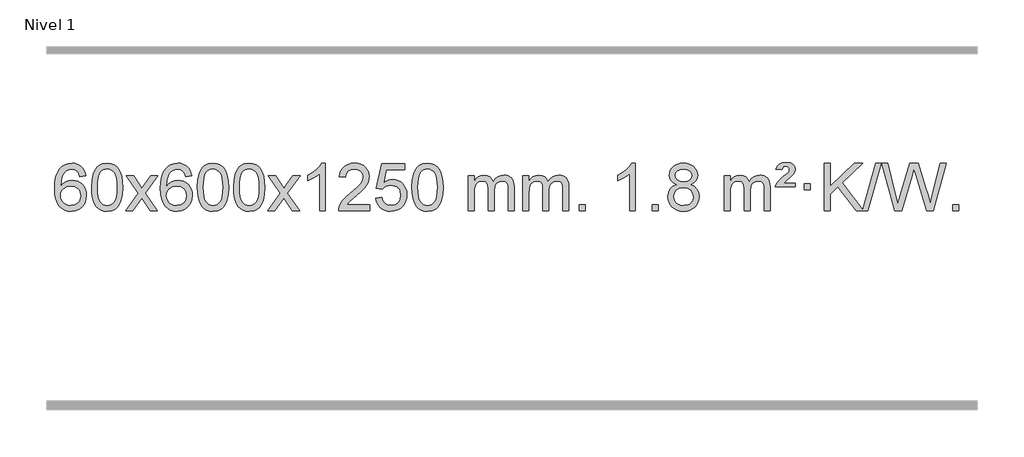
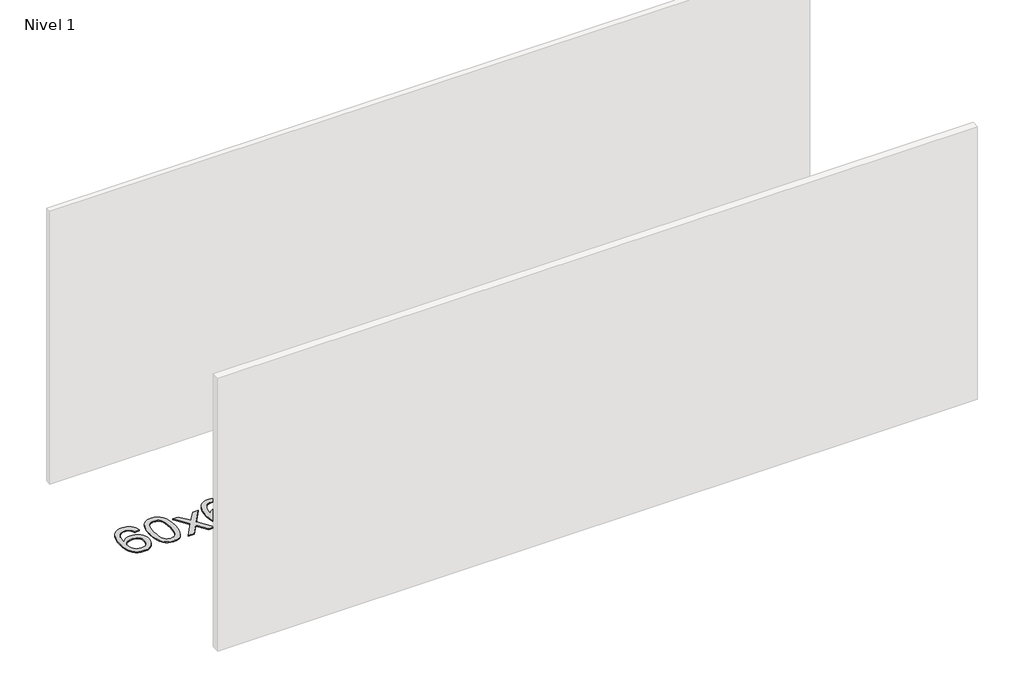
# One storey, part 7 of 9: 1 proxy.
"""IFC4 building model written with IfcOpenShell, lengths in millimetres."""

import ifcopenshell
import ifcopenshell.guid

model = None  # the IFC model being written
_history = None  # IfcOwnerHistory: only IFC2X3 demands one
_inside = {}  # id of a spatial element -> (the spatial element, [elements in it])
_under = {}  # id of a project, library or spatial element -> (it, [spatial elements below it])
_declared = {}  # id of a project -> (the project, [libraries it declares])
_typed = {}  # id of a type object -> (the type object, [elements of that type])
_made_of = {}  # id of a material, layer set ... -> (it, [elements and type objects made of it])


def new_model(schema):
    """Start an empty IFC model of exactly this schema.

    Asked for "IFC4X3", IfcOpenShell would pick the latest addendum, in which some entities
    have other attributes; the version numbers below select the first issue.
    IFC2X3 requires an IfcOwnerHistory on every rooted entity: one is made here for all.
    """
    global model, _history
    if schema == "IFC4X3":
        model = ifcopenshell.file(schema_version=(4, 3, 0, 0))
    else:
        model = ifcopenshell.file(schema=schema)
    _inside.clear()
    _under.clear()
    _declared.clear()
    _typed.clear()
    _made_of.clear()
    _history = None
    if model.schema == "IFC2X3":
        org = make("IfcOrganization", Name="unknown")
        user = make(
            "IfcPersonAndOrganization",
            ThePerson=make("IfcPerson", FamilyName="unknown"),
            TheOrganization=org,
        )
        app = make(
            "IfcApplication",
            ApplicationDeveloper=org,
            Version="unknown",
            ApplicationFullName="unknown",
            ApplicationIdentifier="unknown",
        )
        _history = make(
            "IfcOwnerHistory",
            OwningUser=user,
            OwningApplication=app,
            ChangeAction="ADDED",
            CreationDate=0,
        )
    return model


def make(cls, **values):
    """One entity of the class cls with the attributes given. An attribute that is None is left unset."""
    return model.create_entity(
        cls, **{name: value for name, value in values.items() if value is not None}
    )


def rooted(cls, **values):
    """An entity with a GlobalId (a new one), such as an element, a storey or a relation."""
    return make(cls, GlobalId=ifcopenshell.guid.new(), OwnerHistory=_history, **values)


def si_unit(unit_type, name, prefix=None):
    """IfcSIUnit, for example si_unit("LENGTHUNIT", "METRE", prefix="MILLI")."""
    return make("IfcSIUnit", UnitType=unit_type, Prefix=prefix, Name=name)


def assignment(units):
    """IfcUnitAssignment: the units of a project."""
    return None if units is None else make("IfcUnitAssignment", Units=units)


def point(xyz):
    """IfcCartesianPoint."""
    return None if xyz is None else make("IfcCartesianPoint", Coordinates=xyz)


def direction(xyz):
    """IfcDirection."""
    return None if xyz is None else make("IfcDirection", DirectionRatios=xyz)


def frame(location, z_axis=None, x_axis=None):
    """IfcAxis2Placement3D, a coordinate frame: its origin and axes. An axis left out is left unset."""
    return make(
        "IfcAxis2Placement3D",
        Location=point(location),
        Axis=direction(z_axis),
        RefDirection=direction(x_axis),
    )


def origin():
    """The frame at (0, 0, 0) with its axes left unset."""
    return frame((0.0, 0.0, 0.0))


def origin_with_axes():
    """The frame at (0, 0, 0) with the z axis (0, 0, 1) and the x axis (1, 0, 0) written out."""
    return frame((0.0, 0.0, 0.0), z_axis=(0.0, 0.0, 1.0), x_axis=(1.0, 0.0, 0.0))


def place(relative_to, where):
    """IfcLocalPlacement: puts the frame where relative to a parent placement (None: the world)."""
    return make(
        "IfcLocalPlacement", PlacementRelTo=relative_to, RelativePlacement=where
    )


def context(
    kind, dimensions, precision=None, world=None, true_north=None, identifier=None
):
    """IfcGeometricRepresentationContext, for example the 3D "Model" context."""
    return make(
        "IfcGeometricRepresentationContext",
        ContextIdentifier=identifier,
        ContextType=kind,
        CoordinateSpaceDimension=dimensions,
        Precision=precision,
        WorldCoordinateSystem=world,
        TrueNorth=true_north,
    )


def project(units=None, contexts=None):
    """IfcProject with its units and contexts."""
    return rooted(
        "IfcProject",
        Name="project",
        RepresentationContexts=contexts,
        UnitsInContext=assignment(units),
    )


def spatial(cls, under=None, at=None, **own):
    """A site, building, storey or space (cls), placed at a placement, below another one or the project."""
    s = rooted(cls, ObjectPlacement=at, **own)
    if under is not None:
        _under.setdefault(under.id(), (under, []))[1].append(s)
    return s


def polyline(points):
    """IfcPolyline through the points."""
    return make("IfcPolyline", Points=[point(p) for p in points])


def outline(outer, holes=None, kind="AREA"):
    """IfcArbitraryClosedProfileDef: a profile drawn as a closed curve; with holes, ...WithVoids."""
    if holes is None:
        return make("IfcArbitraryClosedProfileDef", ProfileType=kind, OuterCurve=outer)
    return make(
        "IfcArbitraryProfileDefWithVoids",
        ProfileType=kind,
        OuterCurve=outer,
        InnerCurves=holes,
    )


def extrude(swept, where, along, depth):
    """IfcExtrudedAreaSolid: the profile swept, set in the frame where, extruded along a direction by depth."""
    return make(
        "IfcExtrudedAreaSolid",
        SweptArea=swept,
        Position=where,
        ExtrudedDirection=direction(along),
        Depth=depth,
    )


def shape(context_of_items, identifier, shape_type, items):
    """IfcShapeRepresentation: the items that make up one representation, for example the "Body"."""
    return make(
        "IfcShapeRepresentation",
        ContextOfItems=context_of_items,
        RepresentationIdentifier=identifier,
        RepresentationType=shape_type,
        Items=items,
    )


def made_of(thing, what):
    """Note that an element or type object is made of a material, layer set ...; save() writes the relation."""
    if what is not None:
        _made_of.setdefault(what.id(), (what, []))[1].append(thing)
    return thing


def element(
    cls,
    number,
    at=None,
    inside=None,
    cuts=None,
    type_object=None,
    material=None,
    context=None,
    identifier="Body",
    shape_type=None,
    held_by="IfcProductDefinitionShape",
    body=None,
    shapes=None,
    **own,
):
    """One element of the class cls, such as IfcWall. Its Tag is "e" and its number.

    at: its placement. inside: the storey or other place that contains it. cuts: it is an
    opening in that element (IfcRelVoidsElement). A single representation is given by context,
    identifier, shape_type and body (its items); several are given by shapes. held_by: the class
    of the entity that holds the representations. save() writes the other relations.
    """
    e = rooted(cls, Tag="e%d" % number, ObjectPlacement=at, **own)
    if body is not None:
        shapes = [shape(context, identifier, shape_type, body)]
    if shapes is not None:
        e.Representation = make(held_by, Representations=shapes)
    if inside is not None:
        _inside.setdefault(inside.id(), (inside, []))[1].append(e)
    if cuts is not None:
        rooted(
            "IfcRelVoidsElement", RelatingBuildingElement=cuts, RelatedOpeningElement=e
        )
    if type_object is not None:
        _typed.setdefault(type_object.id(), (type_object, []))[1].append(e)
    return made_of(e, material)


def aggregate(whole, parts):
    """IfcRelAggregates: a whole, such as a stair, and the parts it consists of."""
    return rooted("IfcRelAggregates", RelatingObject=whole, RelatedObjects=parts)


def save(model, path):
    """Write the relations noted so far, then the file.

    IfcRelAggregates (storeys below a building ...), IfcRelContainedInSpatialStructure (elements
    in a storey), IfcRelDefinesByType, IfcRelAssociatesMaterial and IfcRelDeclares: one each for
    every whole, place, type object, material and project.
    """
    for whole, parts in _under.values():
        aggregate(whole, parts)
    for where, things in _inside.values():
        rooted(
            "IfcRelContainedInSpatialStructure",
            RelatedElements=things,
            RelatingStructure=where,
        )
    for kind, things in _typed.values():
        rooted("IfcRelDefinesByType", RelatedObjects=things, RelatingType=kind)
    for what, things in _made_of.values():
        rooted("IfcRelAssociatesMaterial", RelatedObjects=things, RelatingMaterial=what)
    for by, libraries in _declared.values():
        rooted("IfcRelDeclares", RelatingContext=by, RelatedDefinitions=libraries)
    model.write(path)


model = new_model("IFC4")

# Units and contexts
model_context = context("Model", 3, world=origin())
ifc_project = project(units=[si_unit("LENGTHUNIT", "METRE", prefix="MILLI")], contexts=[model_context])

# Site, building, storey
site = spatial("IfcSite", under=ifc_project)
building = spatial("IfcBuilding", under=site)
storey = spatial("IfcBuildingStorey", under=building, Name="Nivel 1", Elevation=0.0)

# Proxy
placement = place(None, origin())
element("IfcBuildingElementProxy", 1, Name="Texto de modelo 1", ObjectType="Texto de modelo 1", at=placement, inside=storey, context=model_context, shape_type="SweptSolid", body=[
    extrude(outline(polyline([(-6198.7504157, -3100.4890419), (-6248.9785708, -3106.7675613), (-6257.0719747, -3081.874213), (-6268.0103327, -3064.8780648), (-6290.7944909, -3049.2062918), (-6318.3365896, -3043.9823675), (-6341.6848336, -3047.0235253), (-6363.6596514, -3056.1469988), (-6382.5319978, -3075.3627017), (-6397.9462534, -3101.8134171), (-6408.3573138, -3139.227016), (-6412.2200748, -3191.3313693), (-6392.0724042, -3167.8237098), (-6367.9270826, -3151.2567573), (-6341.1330106, -3141.434308), (-6313.0390889, -3138.1601582), (-6288.90603, -3140.398107), (-6266.6369065, -3147.1119534), (-6246.2317185, -3158.3016975), (-6227.690466, -3173.9673391), (-6212.2823418, -3193.1769106), (-6201.2765387, -3214.9984443), (-6194.6730569, -3239.4319401), (-6192.4718963, -3266.4773982), (-6196.6167001, -3302.4439945), (-6209.0511116, -3335.786366), (-6228.745061, -3364.0642287), (-6254.668479, -3384.8372987), (-6285.644143, -3397.602804), (-6320.4948306, -3401.8579724), (-6350.4373594, -3399.0375437), (-6377.4797517, -3390.5762579), (-6401.6220076, -3376.4741147), (-6422.8641272, -3356.7311143), (-6440.1821721, -3330.5133908), (-6452.5522042, -3296.9870783), (-6459.9742234, -3256.1521768), (-6462.4482298, -3208.0086864), (-6459.7013776, -3154.0342663), (-6451.4608209, -3107.9693092), (-6437.7265598, -3069.8138149), (-6418.4985942, -3039.5677835), (-6397.6580791, -3019.5243462), (-6373.4943634, -3005.2076052), (-6346.007447, -2996.6175606), (-6315.1973299, -2993.7542124), (-6292.0636838, -2995.5261773), (-6271.1250669, -3000.8420722), (-6252.3814792, -3009.7018969), (-6235.8329208, -3022.1056515), (-6221.9269814, -3037.6364031), (-6211.1112507, -3055.8772186), (-6203.3857288, -3076.8280983), (-6198.7504157, -3100.4890419)]), holes=[polyline([(-6412.2200748, -3265.6925832), (-6409.313807, -3287.9494439), (-6400.5950037, -3309.2007605), (-6387.0569463, -3327.472233), (-6369.6929161, -3340.7895612), (-6348.7359051, -3348.9197533), (-6324.4189053, -3351.6298173), (-6291.2727375, -3346.0134855), (-6277.357601, -3338.9930708), (-6265.2144295, -3329.1644901), (-6255.3643891, -3316.9262824), (-6248.3286459, -3302.6769865), (-6242.7000514, -3268.1451299), (-6248.2550695, -3234.9989621), (-6255.1988422, -3221.3781312), (-6264.9201239, -3209.725469), (-6277.1000836, -3200.3904634), (-6291.4198903, -3193.7226022), (-6326.4790444, -3188.3883133), (-6359.5761613, -3193.7226022), (-6387.25315, -3209.725469), (-6398.1761796, -3221.2248471), (-6405.9783436, -3234.3858254), (-6410.659642, -3249.2084042), (-6412.2200748, -3265.6925832)])]), origin_with_axes(), (0.0, 0.0, 1.0), 10.0),
    extrude(outline(polyline([(-6148.5222606, -3197.9041943), (-6144.8311779, -3133.5861588), (-6133.7579299, -3082.2911459), (-6115.4128811, -3043.2343407), (-6103.5548181, -3028.0009605), (-6089.9063961, -3015.6309284), (-6074.4216298, -3006.0598651), (-6057.0545339, -2999.2233914), (-6016.6733536, -2993.7542124), (-5985.722215, -2996.991574), (-5958.0084381, -3006.7036586), (-5934.8318724, -3022.5103217), (-5917.4923677, -3044.0314184), (-5904.3957686, -3071.0830078), (-5893.94792, -3103.4811488), (-5887.1053149, -3144.6226186), (-5884.8244465, -3197.9041943), (-5888.478741, -3261.8543477), (-5899.4416244, -3313.0267333), (-5917.6763087, -3352.1203266), (-5929.5067805, -3367.3996922), (-5943.1460055, -3379.8341036), (-5958.6491659, -3389.4695462), (-5976.071444, -3396.3520052), (-6016.6733536, -3401.8579724), (-6044.3380796, -3399.4667394), (-6068.8635459, -3392.2930405), (-6090.2497526, -3380.3368757), (-6108.4966996, -3363.5982449), (-6126.0078825, -3333.3399508), (-6138.5158704, -3295.6381776), (-6146.0206631, -3250.4929255), (-6148.5222606, -3197.9041943)]), holes=[polyline([(-6098.2941056, -3197.8060924), (-6096.8225776, -3241.4706195), (-6092.4079936, -3276.8148822), (-6085.0503537, -3303.8388804), (-6074.7496579, -3322.5426142), (-6062.290721, -3335.2682656), (-6048.4583579, -3344.3580165), (-6033.2525688, -3349.8118671), (-6016.6733536, -3351.6298173), (-6000.0941383, -3349.8057357), (-5984.8883492, -3344.3334911), (-5971.0559862, -3335.2130833), (-5958.5970493, -3322.4445124), (-5948.2963534, -3303.7101217), (-5940.9387135, -3276.6922549), (-5936.5241295, -3241.3909118), (-5935.0526016, -3197.8060924), (-5936.4750786, -3155.2973278), (-5940.7425098, -3120.5753989), (-5947.854895, -3093.6403055), (-5957.8122343, -3074.4920476), (-5970.0627048, -3061.1440625), (-5984.0544833, -3051.6097875), (-5999.78757, -3045.8892225), (-6017.2619648, -3043.9823675), (-6033.7553409, -3045.6623619), (-6048.7036126, -3050.7023452), (-6062.10678, -3059.1023175), (-6073.9648429, -3070.8622786), (-6084.6088953, -3091.708925), (-6092.2117899, -3119.8151094), (-6096.7735266, -3155.1808319), (-6098.2941056, -3197.8060924)])]), origin_with_axes(), (0.0, 0.0, 1.0), 10.0),
    extrude(outline(polyline([(-5859.7103689, -3395.579453), (-5752.3869282, -3247.2494325), (-5853.4318496, -3100.4890419), (-5793.0011005, -3100.4890419), (-5744.2444734, -3171.122385), (-5721.4848406, -3204.4770192), (-5701.7663657, -3177.2047007), (-5646.2407099, -3100.4890419), (-5585.8099608, -3100.4890419), (-5691.9561791, -3247.2494325), (-5589.7340354, -3395.579453), (-5650.1647845, -3395.579453), (-5711.6746541, -3306.4048574), (-5722.9563686, -3290.1199477), (-5799.2796199, -3395.579453), (-5859.7103689, -3395.579453)])), origin_with_axes(), (0.0, 0.0, 1.0), 10.0),
    extrude(outline(polyline([(-5300.9221437, -3100.4890419), (-5351.1502988, -3106.7675613), (-5359.2437027, -3081.874213), (-5370.1820607, -3064.8780648), (-5392.9662189, -3049.2062918), (-5420.5083176, -3043.9823675), (-5443.8565616, -3047.0235253), (-5465.8313794, -3056.1469988), (-5484.7037258, -3075.3627017), (-5500.1179814, -3101.8134171), (-5510.5290419, -3139.227016), (-5514.3918028, -3191.3313693), (-5494.2441322, -3167.8237098), (-5470.0988106, -3151.2567573), (-5443.3047386, -3141.434308), (-5415.2108169, -3138.1601582), (-5391.077758, -3140.398107), (-5368.8086346, -3147.1119534), (-5348.4034466, -3158.3016975), (-5329.862194, -3173.9673391), (-5314.4540698, -3193.1769106), (-5303.4482668, -3214.9984443), (-5296.844785, -3239.4319401), (-5294.6436244, -3266.4773982), (-5298.7884282, -3302.4439945), (-5311.2228396, -3335.786366), (-5330.9167891, -3364.0642287), (-5356.840207, -3384.8372987), (-5387.815871, -3397.602804), (-5422.6665587, -3401.8579724), (-5452.6090874, -3399.0375437), (-5479.6514797, -3390.5762579), (-5503.7937357, -3376.4741147), (-5525.0358552, -3356.7311143), (-5542.3539001, -3330.5133908), (-5554.7239322, -3296.9870783), (-5562.1459515, -3256.1521768), (-5564.6199579, -3208.0086864), (-5561.8731057, -3154.0342663), (-5553.632549, -3107.9693092), (-5539.8982878, -3069.8138149), (-5520.6703222, -3039.5677835), (-5499.8298072, -3019.5243462), (-5475.6660915, -3005.2076052), (-5448.179175, -2996.6175606), (-5417.3690579, -2993.7542124), (-5394.2354118, -2995.5261773), (-5373.2967949, -3000.8420722), (-5354.5532073, -3009.7018969), (-5338.0046489, -3022.1056515), (-5324.0987094, -3037.6364031), (-5313.2829788, -3055.8772186), (-5305.5574569, -3076.8280983), (-5300.9221437, -3100.4890419)]), holes=[polyline([(-5514.3918028, -3265.6925832), (-5511.485535, -3287.9494439), (-5502.7667318, -3309.2007605), (-5489.2286743, -3327.472233), (-5471.8646442, -3340.7895612), (-5450.9076332, -3348.9197533), (-5426.5906333, -3351.6298173), (-5393.4444655, -3346.0134855), (-5379.5293291, -3338.9930708), (-5367.3861575, -3329.1644901), (-5357.5361171, -3316.9262824), (-5350.500374, -3302.6769865), (-5344.8717794, -3268.1451299), (-5350.4267976, -3234.9989621), (-5357.3705702, -3221.3781312), (-5367.0918519, -3209.725469), (-5379.2718117, -3200.3904634), (-5393.5916183, -3193.7226022), (-5428.6507725, -3188.3883133), (-5461.7478893, -3193.7226022), (-5489.4248781, -3209.725469), (-5500.3479076, -3221.2248471), (-5508.1500716, -3234.3858254), (-5512.83137, -3249.2084042), (-5514.3918028, -3265.6925832)])]), origin_with_axes(), (0.0, 0.0, 1.0), 10.0),
    extrude(outline(polyline([(-5250.6939887, -3197.9041943), (-5247.002906, -3133.5861588), (-5235.9296579, -3082.2911459), (-5217.5846091, -3043.2343407), (-5205.7265461, -3028.0009605), (-5192.0781241, -3015.6309284), (-5176.5933578, -3006.0598651), (-5159.2262619, -2999.2233914), (-5118.8450816, -2993.7542124), (-5087.8939431, -2996.991574), (-5060.1801661, -3006.7036586), (-5037.0036004, -3022.5103217), (-5019.6640957, -3044.0314184), (-5006.5674967, -3071.0830078), (-4996.119648, -3103.4811488), (-4989.2770429, -3144.6226186), (-4986.9961745, -3197.9041943), (-4990.650469, -3261.8543477), (-5001.6133525, -3313.0267333), (-5019.8480367, -3352.1203266), (-5031.6785085, -3367.3996922), (-5045.3177335, -3379.8341036), (-5060.8208939, -3389.4695462), (-5078.2431721, -3396.3520052), (-5118.8450816, -3401.8579724), (-5146.5098076, -3399.4667394), (-5171.035274, -3392.2930405), (-5192.4214806, -3380.3368757), (-5210.6684276, -3363.5982449), (-5228.1796106, -3333.3399508), (-5240.6875984, -3295.6381776), (-5248.1923911, -3250.4929255), (-5250.6939887, -3197.9041943)]), holes=[polyline([(-5200.4658336, -3197.8060924), (-5198.9943056, -3241.4706195), (-5194.5797217, -3276.8148822), (-5187.2220818, -3303.8388804), (-5176.9213859, -3322.5426142), (-5164.462449, -3335.2682656), (-5150.630086, -3344.3580165), (-5135.4242968, -3349.8118671), (-5118.8450816, -3351.6298173), (-5102.2658663, -3349.8057357), (-5087.0600772, -3344.3334911), (-5073.2277142, -3335.2130833), (-5060.7687773, -3322.4445124), (-5050.4680814, -3303.7101217), (-5043.1104415, -3276.6922549), (-5038.6958576, -3241.3909118), (-5037.2243296, -3197.8060924), (-5038.6468066, -3155.2973278), (-5042.9142378, -3120.5753989), (-5050.026623, -3093.6403055), (-5059.9839624, -3074.4920476), (-5072.2344328, -3061.1440625), (-5086.2262114, -3051.6097875), (-5101.959298, -3045.8892225), (-5119.4336928, -3043.9823675), (-5135.9270689, -3045.6623619), (-5150.8753406, -3050.7023452), (-5164.278508, -3059.1023175), (-5176.136571, -3070.8622786), (-5186.7806234, -3091.708925), (-5194.3835179, -3119.8151094), (-5198.9452547, -3155.1808319), (-5200.4658336, -3197.8060924)])]), origin_with_axes(), (0.0, 0.0, 1.0), 10.0),
    extrude(outline(polyline([(-4943.0465388, -3197.9041943), (-4939.3554561, -3133.5861588), (-4928.2822081, -3082.2911459), (-4909.9371593, -3043.2343407), (-4898.0790963, -3028.0009605), (-4884.4306743, -3015.6309284), (-4868.945908, -3006.0598651), (-4851.5788121, -2999.2233914), (-4811.1976318, -2993.7542124), (-4780.2464932, -2996.991574), (-4752.5327163, -3006.7036586), (-4729.3561506, -3022.5103217), (-4712.0166459, -3044.0314184), (-4698.9200468, -3071.0830078), (-4688.4721982, -3103.4811488), (-4681.6295931, -3144.6226186), (-4679.3487247, -3197.9041943), (-4683.0030192, -3261.8543477), (-4693.9659026, -3313.0267333), (-4712.2005869, -3352.1203266), (-4724.0310587, -3367.3996922), (-4737.6702837, -3379.8341036), (-4753.1734441, -3389.4695462), (-4770.5957222, -3396.3520052), (-4811.1976318, -3401.8579724), (-4838.8623578, -3399.4667394), (-4863.3878241, -3392.2930405), (-4884.7740308, -3380.3368757), (-4903.0209778, -3363.5982449), (-4920.5321607, -3333.3399508), (-4933.0401486, -3295.6381776), (-4940.5449413, -3250.4929255), (-4943.0465388, -3197.9041943)]), holes=[polyline([(-4892.8183838, -3197.8060924), (-4891.3468558, -3241.4706195), (-4886.9322718, -3276.8148822), (-4879.5746319, -3303.8388804), (-4869.2739361, -3322.5426142), (-4856.8149992, -3335.2682656), (-4842.9826361, -3344.3580165), (-4827.776847, -3349.8118671), (-4811.1976318, -3351.6298173), (-4794.6184165, -3349.8057357), (-4779.4126274, -3344.3334911), (-4765.5802644, -3335.2130833), (-4753.1213275, -3322.4445124), (-4742.8206316, -3303.7101217), (-4735.4629917, -3276.6922549), (-4731.0484077, -3241.3909118), (-4729.5768798, -3197.8060924), (-4730.9993568, -3155.2973278), (-4735.266788, -3120.5753989), (-4742.3791732, -3093.6403055), (-4752.3365125, -3074.4920476), (-4764.586983, -3061.1440625), (-4778.5787615, -3051.6097875), (-4794.3118482, -3045.8892225), (-4811.786243, -3043.9823675), (-4828.2796191, -3045.6623619), (-4843.2278908, -3050.7023452), (-4856.6310582, -3059.1023175), (-4868.4891211, -3070.8622786), (-4879.1331735, -3091.708925), (-4886.7360681, -3119.8151094), (-4891.2978048, -3155.1808319), (-4892.8183838, -3197.8060924)])]), origin_with_axes(), (0.0, 0.0, 1.0), 10.0),
    extrude(outline(polyline([(-4654.2346472, -3395.579453), (-4546.9112064, -3247.2494325), (-4647.9561278, -3100.4890419), (-4587.5253787, -3100.4890419), (-4538.7687516, -3171.122385), (-4516.0091188, -3204.4770192), (-4496.2906439, -3177.2047007), (-4440.7649881, -3100.4890419), (-4380.334239, -3100.4890419), (-4486.4804574, -3247.2494325), (-4384.2583136, -3395.579453), (-4444.6890627, -3395.579453), (-4506.1989323, -3306.4048574), (-4517.4806468, -3290.1199477), (-4593.8038981, -3395.579453), (-4654.2346472, -3395.579453)])), origin_with_axes(), (0.0, 0.0, 1.0), 10.0),
    extrude(outline(polyline([(-4164.5101352, -3395.579453), (-4214.7382902, -3395.579453), (-4214.7382902, -3082.4382987), (-4235.707564, -3099.3976587), (-4262.317695, -3116.3324932), (-4315.1946004, -3141.6918254), (-4315.1946004, -3094.2105225), (-4275.7453878, -3072.7507395), (-4241.5691504, -3047.219729), (-4214.6279257, -3020.0700378), (-4196.8837508, -2993.7542124), (-4164.5101352, -2993.7542124), (-4164.5101352, -3395.579453)])), origin_with_axes(), (0.0, 0.0, 1.0), 10.0),
    extrude(outline(polyline([(-3787.7989721, -3345.3512979), (-3787.7989721, -3395.579453), (-4051.4967863, -3395.579453), (-4050.3931403, -3377.8965918), (-4046.1011837, -3360.9494945), (-4033.7158232, -3333.8856424), (-4015.5915035, -3307.6311307), (-3989.37378, -3280.1503456), (-3952.7082078, -3249.4076736), (-3898.5069272, -3201.2641831), (-3865.9861588, -3165.7267824), (-3849.7257746, -3136.884834), (-3844.3056466, -3108.8277005), (-3849.4192063, -3083.6768347), (-3864.7598855, -3062.7688747), (-3888.3411214, -3048.6789943), (-3918.1763512, -3043.9823675), (-3949.5076345, -3048.5686297), (-3973.8491598, -3062.3274163), (-3989.557721, -3084.1796068), (-3994.9901118, -3113.0460807), (-4045.2182669, -3106.7675613), (-4040.8987191, -3080.838012), (-4033.0413728, -3058.1826125), (-4021.646228, -3038.8013627), (-4006.7132847, -3022.6942627), (-3988.5858994, -3010.0329907), (-3967.6074286, -3000.989225), (-3943.7778724, -2995.5629655), (-3917.0972307, -2993.7542124), (-3890.1774657, -2995.7653006), (-3866.2191508, -3001.7985654), (-3845.2222859, -3011.8540066), (-3827.1868711, -3025.9316242), (-3812.7015175, -3042.9890861), (-3802.3548364, -3061.9840598), (-3796.1468277, -3082.9165453), (-3794.0774915, -3105.7865427), (-3796.3093089, -3129.8092369), (-3803.0047612, -3153.4149983), (-3814.8873497, -3177.4254299), (-3832.6805755, -3202.6621347), (-3861.0442774, -3232.7916701), (-3904.6382938, -3271.4805933), (-3962.4202925, -3319.795762), (-3985.0818234, -3345.3512979), (-3787.7989721, -3345.3512979)])), origin_with_axes(), (0.0, 0.0, 1.0), 10.0),
    extrude(outline(polyline([(-3737.570817, -3288.8446235), (-3687.342662, -3282.5661041), (-3678.1210866, -3312.7201649), (-3662.0323807, -3334.3148381), (-3639.1501206, -3347.3010725), (-3609.5478827, -3351.6298173), (-3590.418019, -3350.1245668), (-3573.5444981, -3345.6088153), (-3558.9273202, -3338.0825628), (-3546.5664851, -3327.5458094), (-3536.7379045, -3314.519721), (-3529.7174898, -3299.5254641), (-3524.101158, -3263.6324441), (-3529.3618705, -3229.8363514), (-3535.9377612, -3215.9181493), (-3545.1440081, -3203.9865099), (-3557.0112681, -3194.4154467), (-3571.5701981, -3187.5789729), (-3608.7630678, -3182.1097939), (-3633.1291186, -3184.2925604), (-3652.8598563, -3190.8408599), (-3668.6174684, -3200.8717757), (-3681.0641426, -3213.5023908), (-3731.2922977, -3207.2238715), (-3687.342662, -3000.0327318), (-3492.708561, -3000.0327318), (-3492.708561, -3050.2608869), (-3646.7284897, -3050.2608869), (-3668.2127982, -3160.919791), (-3650.4870174, -3148.2155994), (-3632.332041, -3139.1411769), (-3613.7478688, -3133.6965234), (-3594.734501, -3131.8816388), (-3570.273414, -3134.1318504), (-3547.8050212, -3140.882485), (-3527.3293225, -3152.1335427), (-3508.8463179, -3167.8850234), (-3493.5454926, -3187.1743027), (-3482.6163316, -3209.038756), (-3476.0588351, -3233.4783832), (-3473.8730029, -3260.4931844), (-3475.8411716, -3286.5147042), (-3481.7456776, -3310.7213394), (-3491.586521, -3333.1130902), (-3505.3637017, -3353.6899565), (-3526.2348735, -3374.7634634), (-3550.5886616, -3389.8159684), (-3578.4250659, -3398.8474714), (-3609.7440864, -3401.8579724), (-3635.6644387, -3399.9235262), (-3659.077062, -3394.1201877), (-3679.9819564, -3384.447957), (-3698.3791218, -3370.9068338), (-3713.6860785, -3354.1712688), (-3725.3203466, -3334.915712), (-3733.2819261, -3313.1401636), (-3737.570817, -3288.8446235)])), origin_with_axes(), (0.0, 0.0, 1.0), 10.0),
    extrude(outline(polyline([(-3429.9233672, -3197.9041943), (-3426.2322845, -3133.5861588), (-3415.1590365, -3082.2911459), (-3396.8139876, -3043.2343407), (-3384.9559247, -3028.0009605), (-3371.3075026, -3015.6309284), (-3355.8227363, -3006.0598651), (-3338.4556405, -2999.2233914), (-3298.0744601, -2993.7542124), (-3267.1233216, -2996.991574), (-3239.4095446, -3006.7036586), (-3216.2329789, -3022.5103217), (-3198.8934742, -3044.0314184), (-3185.7968752, -3071.0830078), (-3175.3490265, -3103.4811488), (-3168.5064214, -3144.6226186), (-3166.2255531, -3197.9041943), (-3169.8798475, -3261.8543477), (-3180.842731, -3313.0267333), (-3199.0774152, -3352.1203266), (-3210.9078871, -3367.3996922), (-3224.547112, -3379.8341036), (-3240.0502724, -3389.4695462), (-3257.4725506, -3396.3520052), (-3298.0744601, -3401.8579724), (-3325.7391862, -3399.4667394), (-3350.2646525, -3392.2930405), (-3371.6508592, -3380.3368757), (-3389.8978061, -3363.5982449), (-3407.4089891, -3333.3399508), (-3419.9169769, -3295.6381776), (-3427.4217696, -3250.4929255), (-3429.9233672, -3197.9041943)]), holes=[polyline([(-3379.6952121, -3197.8060924), (-3378.2236842, -3241.4706195), (-3373.8091002, -3276.8148822), (-3366.4514603, -3303.8388804), (-3356.1507644, -3322.5426142), (-3343.6918275, -3335.2682656), (-3329.8594645, -3344.3580165), (-3314.6536754, -3349.8118671), (-3298.0744601, -3351.6298173), (-3281.4952449, -3349.8057357), (-3266.2894558, -3344.3334911), (-3252.4570927, -3335.2130833), (-3239.9981558, -3322.4445124), (-3229.69746, -3303.7101217), (-3222.3398201, -3276.6922549), (-3217.9252361, -3241.3909118), (-3216.4537081, -3197.8060924), (-3217.8761852, -3155.2973278), (-3222.1436163, -3120.5753989), (-3229.2560016, -3093.6403055), (-3239.2133409, -3074.4920476), (-3251.4638113, -3061.1440625), (-3265.4555899, -3051.6097875), (-3281.1886766, -3045.8892225), (-3298.6630713, -3043.9823675), (-3315.1564474, -3045.6623619), (-3330.1047192, -3050.7023452), (-3343.5078865, -3059.1023175), (-3355.3659495, -3070.8622786), (-3366.0100019, -3091.708925), (-3373.6128965, -3119.8151094), (-3378.1746332, -3155.1808319), (-3379.6952121, -3197.8060924)])]), origin_with_axes(), (0.0, 0.0, 1.0), 10.0),
    extrude(outline(polyline([(-2952.755894, -3395.579453), (-2952.755894, -3100.4890419), (-2902.5277389, -3100.4890419), (-2902.5277389, -3149.0494653), (-2887.4200517, -3126.7435537), (-2867.9958823, -3109.2691589), (-2844.9174185, -3097.9751816), (-2818.8468478, -3094.2105225), (-2790.9123416, -3098.048758), (-2768.5205908, -3109.5634645), (-2751.7942228, -3127.9943524), (-2740.8558648, -3152.5811324), (-2722.5476041, -3127.0439906), (-2701.6641696, -3108.803175), (-2678.205561, -3097.8586857), (-2652.1717785, -3094.2105225), (-2632.0639617, -3095.7280358), (-2614.414823, -3100.2805755), (-2599.2243623, -3107.8681416), (-2586.4925796, -3118.4907342), (-2576.4279413, -3132.2709806), (-2569.238914, -3149.3315082), (-2564.9254976, -3169.6723168), (-2563.4876922, -3193.2934066), (-2563.4876922, -3395.579453), (-2613.7158472, -3395.579453), (-2613.7158472, -3214.875817), (-2614.8808069, -3189.8230531), (-2618.3756858, -3172.9372695), (-2624.9239854, -3161.3735121), (-2635.2492067, -3152.2868268), (-2648.5297467, -3146.4007149), (-2663.9440023, -3144.4386776), (-2691.1550072, -3149.4663982), (-2713.3382915, -3164.54956), (-2721.9436645, -3176.1194488), (-2728.0903595, -3190.7182326), (-2733.0077155, -3229.0024856), (-2733.0077155, -3395.579453), (-2783.2358706, -3395.579453), (-2783.2358706, -3209.2840106), (-2786.1421384, -3180.8835206), (-2794.8609417, -3160.6254854), (-2810.2016209, -3148.4853796), (-2832.9735164, -3144.4386776), (-2852.3241093, -3147.1364789), (-2870.1541233, -3155.2298828), (-2884.8694032, -3168.5226856), (-2894.8757934, -3186.8186835), (-2900.6147525, -3212.2025411), (-2902.5277389, -3246.7589232), (-2902.5277389, -3395.579453), (-2952.755894, -3395.579453)])), origin_with_axes(), (0.0, 0.0, 1.0), 10.0),
    extrude(outline(polyline([(-2488.1454596, -3395.579453), (-2488.1454596, -3100.4890419), (-2437.9173045, -3100.4890419), (-2437.9173045, -3149.0494653), (-2422.8096172, -3126.7435537), (-2403.3854479, -3109.2691589), (-2380.306984, -3097.9751816), (-2354.2364133, -3094.2105225), (-2326.3019071, -3098.048758), (-2303.9101564, -3109.5634645), (-2287.1837883, -3127.9943524), (-2276.2454303, -3152.5811324), (-2257.9371697, -3127.0439906), (-2237.0537351, -3108.803175), (-2213.5951266, -3097.8586857), (-2187.561344, -3094.2105225), (-2167.4535273, -3095.7280358), (-2149.8043886, -3100.2805755), (-2134.6139279, -3107.8681416), (-2121.8821452, -3118.4907342), (-2111.8175069, -3132.2709806), (-2104.6284796, -3149.3315082), (-2100.3150632, -3169.6723168), (-2098.8772577, -3193.2934066), (-2098.8772577, -3395.579453), (-2149.1054128, -3395.579453), (-2149.1054128, -3214.875817), (-2150.2703724, -3189.8230531), (-2153.7652514, -3172.9372695), (-2160.3135509, -3161.3735121), (-2170.6387722, -3152.2868268), (-2183.9193123, -3146.4007149), (-2199.3335679, -3144.4386776), (-2226.5445728, -3149.4663982), (-2248.7278571, -3164.54956), (-2257.3332301, -3176.1194488), (-2263.4799251, -3190.7182326), (-2268.3972811, -3229.0024856), (-2268.3972811, -3395.579453), (-2318.6254362, -3395.579453), (-2318.6254362, -3209.2840106), (-2321.5317039, -3180.8835206), (-2330.2505072, -3160.6254854), (-2345.5911864, -3148.4853796), (-2368.3630819, -3144.4386776), (-2387.7136749, -3147.1364789), (-2405.5436889, -3155.2298828), (-2420.2589687, -3168.5226856), (-2430.265359, -3186.8186835), (-2436.0043181, -3212.2025411), (-2437.9173045, -3246.7589232), (-2437.9173045, -3395.579453), (-2488.1454596, -3395.579453)])), origin_with_axes(), (0.0, 0.0, 1.0), 10.0),
    extrude(outline(polyline([(-2010.9779863, -3395.579453), (-2010.9779863, -3345.3512979), (-1960.7498313, -3345.3512979), (-1960.7498313, -3395.579453), (-2010.9779863, -3395.579453)])), origin_with_axes(), (0.0, 0.0, 1.0), 10.0),
    extrude(outline(polyline([(-1533.8105131, -3395.579453), (-1584.0386682, -3395.579453), (-1584.0386682, -3082.4382987), (-1605.0079419, -3099.3976587), (-1631.6180729, -3116.3324932), (-1684.4949784, -3141.6918254), (-1684.4949784, -3094.2105225), (-1645.0457657, -3072.7507395), (-1610.8695284, -3047.219729), (-1583.9283036, -3020.0700378), (-1566.1841287, -2993.7542124), (-1533.8105131, -2993.7542124), (-1533.8105131, -3395.579453)])), origin_with_axes(), (0.0, 0.0, 1.0), 10.0),
    extrude(outline(polyline([(-1389.4045673, -3395.579453), (-1389.4045673, -3345.3512979), (-1339.1764122, -3345.3512979), (-1339.1764122, -3395.579453), (-1389.4045673, -3395.579453)])), origin_with_axes(), (0.0, 0.0, 1.0), 10.0),
    extrude(outline(polyline([(-1184.3716686, -3174.2616447), (-1211.2638425, -3161.0178929), (-1230.1361888, -3143.0652515), (-1241.2830133, -3120.7716026), (-1244.9986215, -3094.5048281), (-1242.9752705, -3074.0199324), (-1236.9052176, -3055.2395565), (-1226.7884627, -3038.1637006), (-1212.6250059, -3022.7923645), (-1195.0954288, -3010.088173), (-1174.8803132, -3001.0137504), (-1151.979659, -2995.5690969), (-1126.3934662, -2993.7542124), (-1100.6846461, -2995.6120165), (-1077.6123136, -3001.1854287), (-1057.1764688, -3010.4744491), (-1039.3771116, -3023.4790776), (-1024.9561374, -3039.1508506), (-1014.6554415, -3056.4413044), (-1008.475024, -3075.3504389), (-1006.4148848, -3095.8782543), (-1010.0814421, -3121.2989001), (-1021.0811137, -3143.2124043), (-1039.5365271, -3161.0546811), (-1065.5703097, -3174.2616447), (-1034.6559593, -3190.1909351), (-1012.153844, -3213.6495436), (-998.4318456, -3243.5092989), (-993.8578461, -3278.6420295), (-996.1264517, -3303.6947933), (-1002.9322686, -3326.6628926), (-1014.2752968, -3347.5463272), (-1030.1555363, -3366.3450971), (-1049.7391211, -3381.88198), (-1072.1921856, -3392.9797536), (-1097.5147296, -3399.6384177), (-1125.7067531, -3401.8579724), (-1153.8987767, -3399.6292206), (-1179.2213207, -3392.9429654), (-1201.6743852, -3381.7992066), (-1221.25797, -3366.1979443), (-1237.1382095, -3347.26735), (-1248.4812377, -3326.135595), (-1255.2870546, -3302.8026795), (-1257.5556602, -3277.2686033), (-1252.7977197, -3240.7747094), (-1238.5238983, -3210.7555386), (-1215.46996, -3188.2411605), (-1184.3716686, -3174.2616447)]), holes=[polyline([(-1194.7704664, -3095.9763561), (-1190.3190942, -3117.902123), (-1176.9649778, -3135.413306), (-1155.1005246, -3146.8912243), (-1125.118142, -3150.717197), (-1095.8347351, -3146.9157497), (-1074.3013757, -3135.5114079), (-1061.0576239, -3118.5888361), (-1056.6430399, -3098.232699), (-1061.2047767, -3077.1040098), (-1074.8899869, -3059.629615), (-1096.7176519, -3047.8941794), (-1125.7067531, -3043.9823675), (-1154.8797954, -3047.8083402), (-1176.6706722, -3059.2862585), (-1190.2455178, -3076.1107284), (-1194.7704664, -3095.9763561)]), polyline([(-1207.3275051, -3275.5027698), (-1205.2305778, -3294.7184726), (-1198.9397957, -3313.3210389), (-1187.3269873, -3329.5446349), (-1169.2639814, -3341.623427), (-1147.6325201, -3349.1282197), (-1125.3143457, -3351.6298173), (-1091.1258456, -3346.3691048), (-1077.2321689, -3339.7932141), (-1065.4722078, -3330.5869672), (-1049.4325528, -3306.6869002), (-1044.0860012, -3277.0723996), (-1049.6042311, -3246.9551269), (-1066.1589209, -3222.5277625), (-1078.237713, -3213.0854579), (-1092.4011699, -3206.3409547), (-1126.9820774, -3200.9453521), (-1160.6923309, -3206.2673783), (-1174.4296577, -3212.919911), (-1186.0884513, -3222.2334569), (-1202.0177417, -3246.1948375), (-1207.3275051, -3275.5027698)])]), origin_with_axes(), (0.0, 0.0, 1.0), 10.0),
    extrude(outline(polyline([(-780.388187, -3395.579453), (-780.388187, -3100.4890419), (-730.1600319, -3100.4890419), (-730.1600319, -3149.0494653), (-715.0523447, -3126.7435537), (-695.6281753, -3109.2691589), (-672.5497115, -3097.9751816), (-646.4791408, -3094.2105225), (-618.5446346, -3098.048758), (-596.1528838, -3109.5634645), (-579.4265158, -3127.9943524), (-568.4881578, -3152.5811324), (-550.1798972, -3127.0439906), (-529.2964626, -3108.803175), (-505.837854, -3097.8586857), (-479.8040715, -3094.2105225), (-459.6962548, -3095.7280358), (-442.047116, -3100.2805755), (-426.8566553, -3107.8681416), (-414.1248726, -3118.4907342), (-404.0602344, -3132.2709806), (-396.871207, -3149.3315082), (-392.5577906, -3169.6723168), (-391.1199852, -3193.2934066), (-391.1199852, -3395.579453), (-441.3481403, -3395.579453), (-441.3481403, -3214.875817), (-442.5130999, -3189.8230531), (-446.0079789, -3172.9372695), (-452.5562784, -3161.3735121), (-462.8814997, -3152.2868268), (-476.1620397, -3146.4007149), (-491.5762953, -3144.4386776), (-518.7873002, -3149.4663982), (-540.9705845, -3164.54956), (-549.5759576, -3176.1194488), (-555.7226526, -3190.7182326), (-560.6400086, -3229.0024856), (-560.6400086, -3395.579453), (-610.8681636, -3395.579453), (-610.8681636, -3209.2840106), (-613.7744314, -3180.8835206), (-622.4932347, -3160.6254854), (-637.8339139, -3148.4853796), (-660.6058094, -3144.4386776), (-679.9564023, -3147.1364789), (-697.7864164, -3155.2298828), (-712.5016962, -3168.5226856), (-722.5080864, -3186.8186835), (-728.2470456, -3212.2025411), (-730.1600319, -3246.7589232), (-730.1600319, -3395.579453), (-780.388187, -3395.579453)])), origin_with_axes(), (0.0, 0.0, 1.0), 10.0),
    extrude(outline(polyline([(-347.1703495, -3194.6668327), (-343.3443767, -3178.8479069), (-335.0057182, -3162.9799302), (-313.4968842, -3137.8413272), (-281.5402016, -3110.1030247), (-237.3943621, -3072.726214), (-230.2574514, -3061.1992448), (-227.8784812, -3049.3779701), (-229.7669421, -3037.2869152), (-235.4323248, -3027.5012541), (-244.801053, -3021.026531), (-257.7995501, -3018.8682899), (-270.2339616, -3020.4869707), (-279.0876549, -3025.343013), (-285.5133271, -3034.8098431), (-290.663675, -3050.2608869), (-340.8918301, -3043.9823675), (-330.051574, -3018.7701881), (-313.4233078, -3001.2099542), (-289.6581309, -2990.9092583), (-257.4071427, -2987.475693), (-221.6244873, -2991.6082341), (-196.8782917, -3004.0058573), (-182.4573175, -3022.3386434), (-177.6503261, -3044.2766731), (-181.746079, -3067.1834586), (-194.0333376, -3088.8149199), (-214.561153, -3108.6314968), (-251.0305214, -3136.6886303), (-276.6351083, -3163.2742358), (-177.6503261, -3163.2742358), (-177.6503261, -3194.6668327), (-347.1703495, -3194.6668327)])), origin_with_axes(), (0.0, 0.0, 1.0), 10.0),
    extrude(outline(polyline([(-102.3080935, -3219.7809102), (-102.3080935, -3169.5527552), (-52.0799384, -3169.5527552), (-52.0799384, -3219.7809102), (-102.3080935, -3219.7809102)])), origin_with_axes(), (0.0, 0.0, 1.0), 10.0),
    extrude(outline(polyline([(338.5616895, -3395.579453), (185.1303721, -3192.9009991), (117.440085, -3257.4520265), (117.440085, -3395.579453), (67.2119299, -3395.579453), (67.2119299, -2993.7542124), (117.440085, -2993.7542124), (117.440085, -3190.4484525), (323.4540023, -2993.7542124), (393.6949379, -2993.7542124), (220.7413492, -3158.9577537), (395.3949591, -3389.5349332), (506.7082868, -2993.7542124), (552.0313486, -2993.7542124), (439.0179997, -3395.579453), (399.9734572, -3395.579453), (393.6949379, -3395.579453), (338.5616895, -3395.579453)])), origin_with_axes(), (0.0, 0.0, 1.0), 10.0),
    extrude(outline(polyline([(666.5162255, -3395.579453), (556.9364419, -2993.7542124), (608.7342268, -2993.7542124), (672.3042355, -3257.844434), (691.9246086, -3339.3670841), (712.9184078, -3267.2622131), (792.5771225, -2993.7542124), (867.2326421, -2993.7542124), (925.1127426, -3192.0180823), (949.9079891, -3265.5944814), (968.1794615, -3339.3670841), (987.2112234, -3260.1988788), (1051.3698434, -2993.7542124), (1103.1676283, -2993.7542124), (993.4897428, -3395.579453), (939.8280224, -3395.579453), (843.4919906, -3085.5775584), (830.0520351, -3042.3146358), (814.9443478, -3094.4067263), (727.1431783, -3395.579453), (666.5162255, -3395.579453)])), origin_with_axes(), (0.0, 0.0, 1.0), 10.0),
    extrude(outline(polyline([(1159.6743028, -3395.579453), (1159.6743028, -3345.3512979), (1209.9024578, -3345.3512979), (1209.9024578, -3395.579453), (1159.6743028, -3395.579453)])), origin_with_axes(), (0.0, 0.0, 1.0), 10.0),
])

save(model, "model.ifc")
